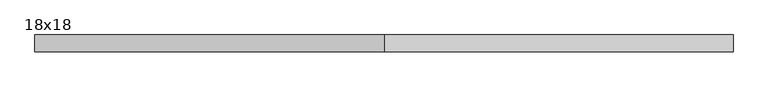
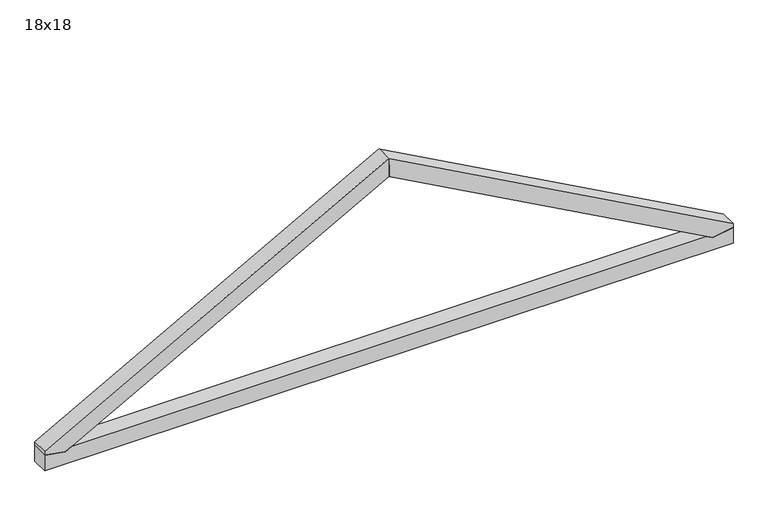
"""IFC4 building model written with IfcOpenShell, lengths in millimetres: beam geometry, 18x18."""

from ifc_helpers import new_model, si_unit, frame, origin, place, context, project, spatial, polyline, outline, extrude, source, transform, mapped, element, save


def beam_18x18_b1895dd3(model_context):
    return source(origin(), model_context, "Body", "SweptSolid", [
        extrude(outline(polyline([(55.0, 3700.0), (16.0534509, 3479.1231442), (55.0, 3408.3112367), (55.0, -3408.3112367), (16.0534509, -3479.1231442), (55.0, -3700.0), (-125.0, -3700.0), (-125.0, 3700.0), (55.0, 3700.0)])), frame((0.0, -90.0, 0.0), z_axis=(0.0, 1.0, 0.0), x_axis=(0.0, 0.0, 1.0)), (0.0, 0.0, 1.0), 180.0),
        extrude(outline(polyline([(1928.1780872, 2.5328963), (16.0534509, 3479.1231442), (55.0, 3700.0), (100.0, 3700.0), (2132.213814, 5.0657927), (1928.1780872, 2.5328963)])), frame((0.0, -90.0, 0.0), z_axis=(0.0, 1.0, 0.0), x_axis=(0.0, 0.0, 1.0)), (0.0, 0.0, 1.0), 180.0),
        extrude(outline(polyline([(2135.0, 0.0), (100.0, -3700.0), (55.0, -3700.0), (16.0534509, -3479.1231442), (1929.5711802, 0.0), (2135.0, 0.0)])), frame((0.0, -90.0, 0.0), z_axis=(0.0, 1.0, 0.0), x_axis=(0.0, 0.0, 1.0)), (0.0, 0.0, 1.0), 180.0),
    ])


if __name__ == "__main__":
    model = new_model("IFC4")
    model_context = context("Model", 3, world=origin())
    ifc_project = project(units=[si_unit("LENGTHUNIT", "METRE", prefix="MILLI")], contexts=[model_context])
    site = spatial("IfcSite", under=ifc_project)
    building = spatial("IfcBuilding", under=site)
    placement = place(None, origin())
    beam_18x18_shape = beam_18x18_b1895dd3(model_context)
    element("IfcBeam", 1, ObjectType="18x18", at=placement, inside=building, context=model_context, shape_type="MappedRepresentation", body=[
        mapped(beam_18x18_shape, transform((0.0, 0.0, 0.0), x_axis=(1.0, 0.0, 0.0), y_axis=(0.0, 1.0, 0.0), z_axis=(0.0, 0.0, 1.0))),
    ])
    save(model, "model.ifc")
